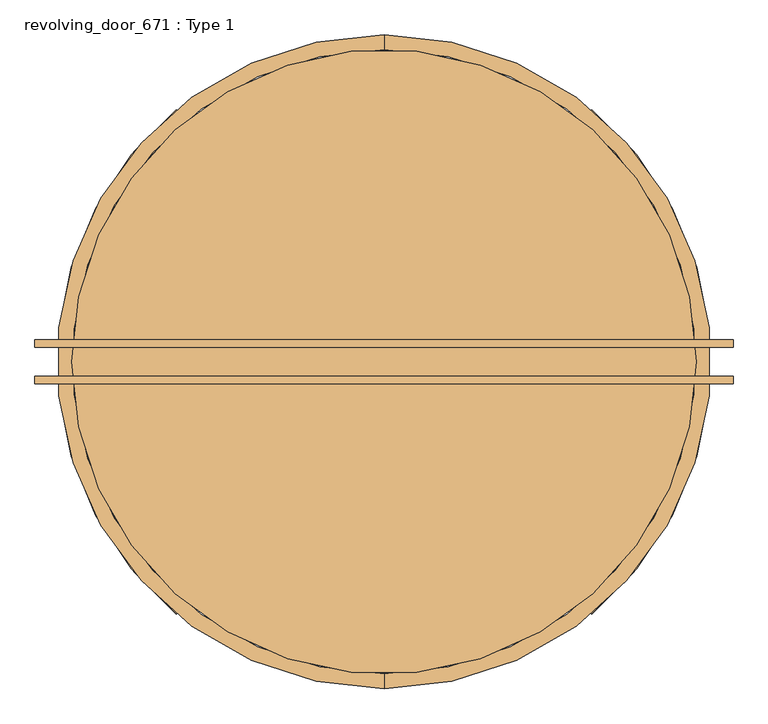
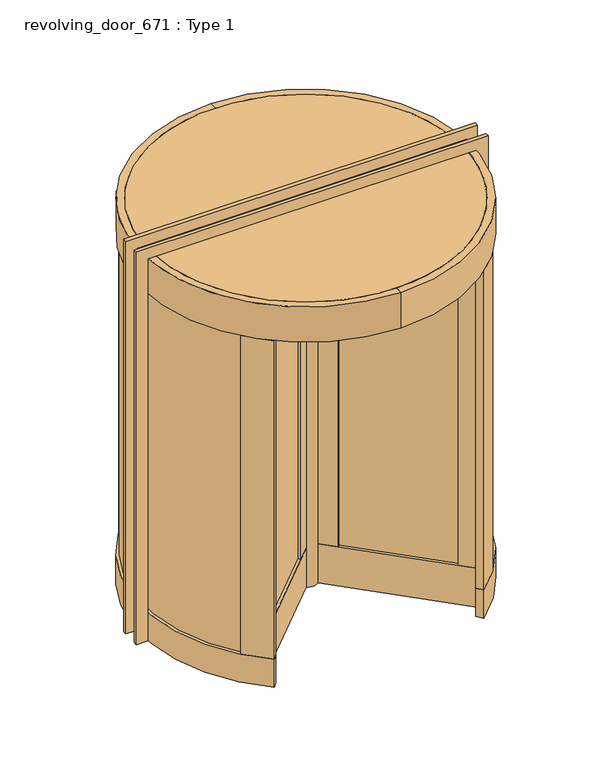
"""IFC4 building model written with IfcOpenShell, lengths in millimetres: door geometry, revolving_door_671 : Type 1."""

from ifc_helpers import new_model, si_unit, point, frame, frame_2d, origin, origin_with_axes, origin_2d, place, context, project, spatial, polyline, circle_curve, trimmed, segment, composite_curve, outline, extrude, source, transform, mapped, element, save


def revolving_door_671_type_1_5802f42c(model_context):
    return source(origin(), model_context, "Body", "SweptSolid", [
        extrude(outline(polyline([(2743.2, -1117.6), (2743.2, 1117.6), (0.0, 1117.6), (0.0, 1193.8), (2819.4, 1193.8), (2819.4, -1193.8), (0.0, -1193.8), (0.0, -1117.6), (2743.2, -1117.6)])), frame((0.0, -75.4, 0.0), z_axis=(0.0, 1.0, 0.0), x_axis=(0.0, 0.0, 1.0)), (0.0, 0.0, 1.0), 25.4),
        extrude(outline(polyline([(2743.2, -1117.6), (2743.2, 1117.6), (0.0, 1117.6), (0.0, 1193.8), (2819.4, 1193.8), (2819.4, -1193.8), (0.0, -1193.8), (0.0, -1117.6), (2743.2, -1117.6)])), frame((0.0, 50.0, 0.0), z_axis=(0.0, 1.0, 0.0), x_axis=(0.0, 0.0, 1.0)), (0.0, 0.0, 1.0), 25.4),
        extrude(outline(polyline([(40.0470704, -76.0047403), (75.9680949, -40.0837158), (763.0407695, -727.1563904), (727.119745, -763.0774149), (40.0470704, -76.0047403)])), frame((0.0, 0.0, 12.7), z_axis=(0.0, 0.0, 1.0), x_axis=(1.0, 0.0, 0.0)), (0.0, 0.0, 1.0), 279.4),
        extrude(outline(polyline([(40.0470704, 76.2), (727.119745, 763.2726745), (763.0407695, 727.3516501), (75.9680949, 40.2789755), (40.0470704, 76.2)])), frame((0.0, 0.0, 12.7), z_axis=(0.0, 0.0, 1.0), x_axis=(1.0, 0.0, 0.0)), (0.0, 0.0, 1.0), 279.4),
        extrude(outline(polyline([(-40.0470704, -76.0047403), (-727.0353414, -762.9930113), (-762.9563659, -727.0719868), (-75.9680949, -40.0837158), (-40.0470704, -76.0047403)])), frame((0.0, 0.0, 12.7), z_axis=(0.0, 0.0, 1.0), x_axis=(1.0, 0.0, 0.0)), (0.0, 0.0, 1.0), 279.4),
        extrude(outline(polyline([(-40.0470704, 76.2), (-76.0821357, 40.1649348), (-763.0626247, 727.1454238), (-727.0275595, 763.1804891), (-40.0470704, 76.2)])), frame((0.0, 0.0, 12.7), z_axis=(0.0, 0.0, 1.0), x_axis=(1.0, 0.0, 0.0)), (0.0, 0.0, 1.0), 279.4),
        extrude(outline(composite_curve([segment(trimmed(circle_curve(frame_2d((-0.0671376, 0.1647675)), 1066.8), [point((678.5112746, -822.9959571))], [point((678.5112746, 823.325492))], True, "CARTESIAN"), True, "CONTINUOUS"), segment(polyline([(678.5112746, 823.325492), (710.8245323, 862.5236218)]), True, "CONTINUOUS"), segment(trimmed(circle_curve(frame_2d((-0.0671376, 0.1647675)), 1117.6), [point((710.8245323, 862.5236218))], [point((710.8245323, -862.1940868))], False, "CARTESIAN"), True, "CONTINUOUS"), segment(polyline([(710.8245323, -862.1940868), (678.5112746, -822.9959571)]), True, "CONTINUOUS")], self_intersect=False)), origin_with_axes(), (0.0, 0.0, 1.0), 203.2),
        extrude(outline(composite_curve([segment(trimmed(circle_curve(frame_2d((0.0671376, 0.1647675)), 1117.6), [point((-710.8245323, -862.1940868))], [point((-710.8245323, 862.5236218))], False, "CARTESIAN"), True, "CONTINUOUS"), segment(polyline([(-710.8245323, 862.5236218), (-678.5112746, 823.325492)]), True, "CONTINUOUS"), segment(trimmed(circle_curve(frame_2d((0.0671376, 0.1647675)), 1066.8), [point((-678.5112746, 823.325492))], [point((-678.5112746, -822.9959571))], True, "CARTESIAN"), True, "CONTINUOUS"), segment(polyline([(-678.5112746, -822.9959571), (-710.8245323, -862.1940868)]), True, "CONTINUOUS")], self_intersect=False)), origin_with_axes(), (0.0, 0.0, 1.0), 203.2),
        extrude(outline(polyline([(40.0470704, -76.0047403), (75.9680949, -40.0837158), (762.9563659, -727.0719868), (727.0353414, -762.9930113), (40.0470704, -76.0047403)])), frame((0.0, 0.0, 2476.5), z_axis=(0.0, 0.0, 1.0), x_axis=(1.0, 0.0, 0.0)), (0.0, 0.0, 1.0), 203.2),
        extrude(outline(polyline([(40.0470704, 76.2), (727.0353414, 763.1882709), (762.9563659, 727.2672465), (75.9680949, 40.2789755), (40.0470704, 76.2)])), frame((0.0, 0.0, 2476.5), z_axis=(0.0, 0.0, 1.0), x_axis=(1.0, 0.0, 0.0)), (0.0, 0.0, 1.0), 203.2),
        extrude(outline(polyline([(-40.0470704, -76.0047403), (-727.0353414, -762.9930113), (-762.9563659, -727.0719868), (-75.9680949, -40.0837158), (-40.0470704, -76.0047403)])), frame((0.0, 0.0, 2476.5), z_axis=(0.0, 0.0, 1.0), x_axis=(1.0, 0.0, 0.0)), (0.0, 0.0, 1.0), 203.2),
        extrude(outline(polyline([(-40.0470704, 76.2), (-76.0821357, 40.1649348), (-763.0704066, 727.1532057), (-727.0353414, 763.1882709), (-40.0470704, 76.2)])), frame((0.0, 0.0, 2476.5), z_axis=(0.0, 0.0, 1.0), x_axis=(1.0, 0.0, 0.0)), (0.0, 0.0, 1.0), 203.2),
        extrude(outline(composite_curve([segment(trimmed(circle_curve(origin_2d(), 1066.9647675), [point((-1066.9647675, 0.0))], [point((1066.9647675, 0.0))], False, "CARTESIAN"), True, "CONTINUOUS"), segment(trimmed(circle_curve(origin_2d(), 1066.9647675), [point((1066.9647675, 0.0))], [point((-1066.9647675, 0.0))], False, "CARTESIAN"), True, "CONTINUOUS")], self_intersect=False)), frame((0.0, 0.0, 2692.4), z_axis=(0.0, 0.0, 1.0), x_axis=(1.0, 0.0, 0.0)), (0.0, 0.0, 1.0), 50.8),
        extrude(outline(composite_curve([segment(trimmed(circle_curve(frame_2d((0.0, 0.1647675)), 1117.6), [point((0.0, -1117.4352325))], [point((0.0, 1117.7647675))], False, "CARTESIAN"), True, "CONTINUOUS"), segment(polyline([(0.0, 1117.7647675), (0.0, 1066.9647675)]), True, "CONTINUOUS"), segment(trimmed(circle_curve(frame_2d((0.0, 0.1647675)), 1066.8), [point((0.0, 1066.9647675))], [point((0.0, -1066.6352325))], True, "CARTESIAN"), True, "CONTINUOUS"), segment(polyline([(0.0, -1066.6352325), (0.0, -1117.4352325)]), True, "CONTINUOUS")], self_intersect=False)), frame((0.0, 0.0, 2489.2), z_axis=(0.0, 0.0, 1.0), x_axis=(1.0, 0.0, 0.0)), (0.0, 0.0, 1.0), 254.0),
        extrude(outline(composite_curve([segment(trimmed(circle_curve(frame_2d((0.0, 0.1647675)), 1066.8), [point((0.0, -1066.6352325))], [point((0.0, 1066.9647675))], True, "CARTESIAN"), True, "CONTINUOUS"), segment(polyline([(0.0, 1066.9647675), (0.0, 1117.7647675)]), True, "CONTINUOUS"), segment(trimmed(circle_curve(frame_2d((0.0, 0.1647675)), 1117.6), [point((0.0, 1117.7647675))], [point((0.0, -1117.4352325))], False, "CARTESIAN"), True, "CONTINUOUS"), segment(polyline([(0.0, -1117.4352325), (0.0, -1066.6352325)]), True, "CONTINUOUS")], self_intersect=False)), frame((0.0, 0.0, 2489.2), z_axis=(0.0, 0.0, 1.0), x_axis=(1.0, 0.0, 0.0)), (0.0, 0.0, 1.0), 254.0),
        extrude(outline(polyline([(140.2300933, -149.2469948), (149.2103494, -140.2667387), (664.5632997, -655.619689), (655.5830436, -664.5999452), (140.2300933, -149.2469948)])), frame((0.0, 0.0, 292.1), z_axis=(0.0, 0.0, 1.0), x_axis=(1.0, 0.0, 0.0)), (0.0, 0.0, 1.0), 2171.7),
        extrude(outline(polyline([(642.1126594, -678.0703293), (678.0336839, -642.1493048), (763.0407695, -727.1563904), (727.119745, -763.0774149), (642.1126594, -678.0703293)])), frame((0.0, 0.0, 292.1), z_axis=(0.0, 0.0, 1.0), x_axis=(1.0, 0.0, 0.0)), (0.0, 0.0, 1.0), 2184.4),
        extrude(outline(polyline([(40.6714213, -75.3806654), (75.968557, -40.0835297), (162.682091, -126.7970637), (127.3849553, -162.0941994), (40.6714213, -75.3806654)])), frame((0.0, 0.0, 292.1), z_axis=(0.0, 0.0, 1.0), x_axis=(1.0, 0.0, 0.0)), (0.0, 0.0, 1.0), 2184.4),
        extrude(outline(polyline([(140.2300933, 149.4422545), (655.5830436, 664.7952048), (664.5632997, 655.8149487), (149.2103494, 140.4619984), (140.2300933, 149.4422545)])), frame((0.0, 0.0, 292.1), z_axis=(0.0, 0.0, 1.0), x_axis=(1.0, 0.0, 0.0)), (0.0, 0.0, 1.0), 2171.7),
        extrude(outline(polyline([(642.1126594, 678.265589), (727.119745, 763.2726745), (763.0407695, 727.3516501), (678.0336839, 642.3445645), (642.1126594, 678.265589)])), frame((0.0, 0.0, 292.1), z_axis=(0.0, 0.0, 1.0), x_axis=(1.0, 0.0, 0.0)), (0.0, 0.0, 1.0), 2184.4),
        extrude(outline(polyline([(40.163023, 76.0840475), (126.8756616, 162.7966861), (162.6807336, 126.9916142), (75.9680949, 40.2789755), (40.163023, 76.0840475)])), frame((0.0, 0.0, 292.1), z_axis=(0.0, 0.0, 1.0), x_axis=(1.0, 0.0, 0.0)), (0.0, 0.0, 1.0), 2184.4),
        extrude(outline(polyline([(-140.2300933, -149.2469948), (-655.5830436, -664.5999451), (-664.5632997, -655.619689), (-149.2103494, -140.2667387), (-140.2300933, -149.2469948)])), frame((0.0, 0.0, 292.1), z_axis=(0.0, 0.0, 1.0), x_axis=(1.0, 0.0, 0.0)), (0.0, 0.0, 1.0), 2171.7),
        extrude(outline(polyline([(-642.1126594, -678.0703293), (-727.0353414, -762.9930113), (-762.9563659, -727.0719868), (-678.0336839, -642.1493048), (-642.1126594, -678.0703293)])), frame((0.0, 0.0, 292.1), z_axis=(0.0, 0.0, 1.0), x_axis=(1.0, 0.0, 0.0)), (0.0, 0.0, 1.0), 2184.4),
        extrude(outline(polyline([(-40.0653931, -75.9864176), (-126.7780318, -162.6990563), (-162.6807336, -126.7963545), (-75.9680949, -40.0837158), (-40.0653931, -75.9864176)])), frame((0.0, 0.0, 292.1), z_axis=(0.0, 0.0, 1.0), x_axis=(1.0, 0.0, 0.0)), (0.0, 0.0, 1.0), 2184.4),
        extrude(outline(composite_curve([segment(trimmed(circle_curve(origin_2d(), 76.3647379), [point((-76.3647379, 0.0))], [point((76.3647379, 0.0))], False, "CARTESIAN"), True, "CONTINUOUS"), segment(trimmed(circle_curve(origin_2d(), 76.3647379), [point((76.3647379, 0.0))], [point((-76.3647379, 0.0))], False, "CARTESIAN"), True, "CONTINUOUS")], self_intersect=False), holes=[composite_curve([segment(trimmed(circle_curve(origin_2d(), 65.1966682), [point((-65.1966682, 0.0))], [point((65.1966682, 0.0))], True, "CARTESIAN"), True, "CONTINUOUS"), segment(trimmed(circle_curve(origin_2d(), 65.1966682), [point((65.1966682, 0.0))], [point((-65.1966682, 0.0))], True, "CARTESIAN"), True, "CONTINUOUS")], self_intersect=False)]), origin_with_axes(), (0.0, 0.0, 1.0), 2692.4),
        extrude(outline(polyline([(-140.2300933, 149.4422545), (-149.2103494, 140.4619984), (-664.5632997, 655.8149486), (-655.5830436, 664.7952048), (-140.2300933, 149.4422545)])), frame((0.0, 0.0, 292.1), z_axis=(0.0, 0.0, 1.0), x_axis=(1.0, 0.0, 0.0)), (0.0, 0.0, 1.0), 2171.7),
        extrude(outline(polyline([(-642.1126594, 678.265589), (-678.0336839, 642.3445645), (-762.948584, 727.2594646), (-727.0275595, 763.1804891), (-642.1126594, 678.265589)])), frame((0.0, 0.0, 292.1), z_axis=(0.0, 0.0, 1.0), x_axis=(1.0, 0.0, 0.0)), (0.0, 0.0, 1.0), 2184.4),
        extrude(outline(polyline([(-40.1629917, 76.0840162), (-75.9683877, 40.2786201), (-162.6823646, 126.9925969), (-126.8769685, 162.797993), (-40.1629917, 76.0840162)])), frame((0.0, 0.0, 292.1), z_axis=(0.0, 0.0, 1.0), x_axis=(1.0, 0.0, 0.0)), (0.0, 0.0, 1.0), 2184.4),
        extrude(outline(composite_curve([segment(trimmed(circle_curve(frame_2d((40.5801608, -47.5089581)), 1004.2631463), [point((678.5112746, -823.1302323))], [point((815.7577727, -685.9791117))], True, "CARTESIAN"), True, "CONTINUOUS"), segment(polyline([(815.7577727, -685.9791117), (855.0522927, -718.1006018)]), True, "CONTINUOUS"), segment(trimmed(circle_curve(frame_2d((45.5745218, -52.8505913)), 1047.7651635), [point((855.0522927, -718.1006018))], [point((710.8245323, -862.3283621))], False, "CARTESIAN"), True, "CONTINUOUS"), segment(polyline([(710.8245323, -862.3283621), (678.5112746, -823.1302323)]), True, "CONTINUOUS")], self_intersect=False)), frame((0.0, 0.0, 203.2), z_axis=(0.0, 0.0, 1.0), x_axis=(1.0, 0.0, 0.0)), (0.0, 0.0, 1.0), 2286.0),
        extrude(outline(composite_curve([segment(polyline([(-678.5112746, -823.1302323), (-710.8245323, -862.3283621)]), True, "CONTINUOUS"), segment(trimmed(circle_curve(frame_2d((-45.5745218, -52.8505913)), 1047.7651635), [point((-710.8245323, -862.3283621))], [point((-855.0522927, -718.1006018))], False, "CARTESIAN"), True, "CONTINUOUS"), segment(polyline([(-855.0522927, -718.1006018), (-815.7577727, -685.9791117)]), True, "CONTINUOUS"), segment(trimmed(circle_curve(frame_2d((-40.5801608, -47.5089581)), 1004.2631463), [point((-815.7577727, -685.9791117))], [point((-678.5112746, -823.1302323))], True, "CARTESIAN"), True, "CONTINUOUS")], self_intersect=False)), frame((0.0, 0.0, 203.2), z_axis=(0.0, 0.0, 1.0), x_axis=(1.0, 0.0, 0.0)), (0.0, 0.0, 1.0), 2286.0),
        extrude(outline(composite_curve([segment(trimmed(circle_curve(frame_2d((1.5092941, 0.8034607)), 1084.2321844), [point((831.4646046, -696.859504))], [point((831.671855, 698.2198014))], True, "CARTESIAN"), True, "CONTINUOUS"), segment(polyline([(831.671855, 698.2198014), (840.6855609, 707.2335072)]), True, "CONTINUOUS"), segment(trimmed(circle_curve(frame_2d((1.5092941, 0.8034607)), 1096.9321844), [point((840.6855609, 707.2335072))], [point((840.4780808, -705.8729803))], False, "CARTESIAN"), True, "CONTINUOUS"), segment(polyline([(840.4780808, -705.8729803), (831.4646046, -696.859504)]), True, "CONTINUOUS")], self_intersect=False)), frame((0.0, 0.0, 203.2), z_axis=(0.0, 0.0, 1.0), x_axis=(1.0, 0.0, 0.0)), (0.0, 0.0, 1.0), 2286.0),
        extrude(outline(composite_curve([segment(polyline([(678.5112746, 823.325492), (710.8245323, 862.5236218)]), True, "CONTINUOUS"), segment(trimmed(circle_curve(frame_2d((45.5927291, 53.0458509)), 1047.7536034), [point((710.8245323, 862.5236218))], [point((855.0540733, 718.2976421))], False, "CARTESIAN"), True, "CONTINUOUS"), segment(polyline([(855.0540733, 718.2976421), (815.7577727, 686.1743714)]), True, "CONTINUOUS"), segment(trimmed(circle_curve(frame_2d((40.5801608, 47.7042178)), 1004.2631463), [point((815.7577727, 686.1743714))], [point((678.5112746, 823.325492))], True, "CARTESIAN"), True, "CONTINUOUS")], self_intersect=False)), frame((0.0, 0.0, 203.2), z_axis=(0.0, 0.0, 1.0), x_axis=(1.0, 0.0, 0.0)), (0.0, 0.0, 1.0), 2286.0),
        extrude(outline(composite_curve([segment(polyline([(-831.5347713, -696.7760236), (-840.5483252, -705.7895775)]), True, "CONTINUOUS"), segment(trimmed(circle_curve(frame_2d((-1.5092941, 0.8034607)), 1096.9321844), [point((-840.5483252, -705.7895775))], [point((-840.7523112, 707.1542062))], False, "CARTESIAN"), True, "CONTINUOUS"), segment(polyline([(-840.7523112, 707.1542062), (-831.7385313, 698.1404263)]), True, "CONTINUOUS"), segment(trimmed(circle_curve(frame_2d((-1.5092941, 0.8034607)), 1084.2321844), [point((-831.7385313, 698.1404263))], [point((-831.5347713, -696.7760236))], True, "CARTESIAN"), True, "CONTINUOUS")], self_intersect=False)), frame((0.0, 0.0, 203.2), z_axis=(0.0, 0.0, 1.0), x_axis=(1.0, 0.0, 0.0)), (0.0, 0.0, 1.0), 2286.0),
        extrude(outline(composite_curve([segment(trimmed(circle_curve(frame_2d((-40.5619534, 47.7042178)), 1004.2772003), [point((-678.493126, 823.3436407))], [point((-815.7577727, 686.1743714))], True, "CARTESIAN"), True, "CONTINUOUS"), segment(polyline([(-815.7577727, 686.1743714), (-855.0522927, 718.2958614)]), True, "CONTINUOUS"), segment(trimmed(circle_curve(frame_2d((-45.5745218, 53.0458509)), 1047.7651635), [point((-855.0522927, 718.2958614))], [point((-710.8245323, 862.5236218))], False, "CARTESIAN"), True, "CONTINUOUS"), segment(polyline([(-710.8245323, 862.5236218), (-678.493126, 823.3436407)]), True, "CONTINUOUS")], self_intersect=False)), frame((0.0, 0.0, 203.2), z_axis=(0.0, 0.0, 1.0), x_axis=(1.0, 0.0, 0.0)), (0.0, 0.0, 1.0), 2286.0),
    ])


if __name__ == "__main__":
    model = new_model("IFC4")
    model_context = context("Model", 3, world=origin())
    ifc_project = project(units=[si_unit("LENGTHUNIT", "METRE", prefix="MILLI")], contexts=[model_context])
    site = spatial("IfcSite", under=ifc_project)
    building = spatial("IfcBuilding", under=site)
    placement = place(None, origin())
    revolving_door_671_type_1_shape = revolving_door_671_type_1_5802f42c(model_context)
    element("IfcDoor", 1, ObjectType="revolving_door_671 : Type 1", at=placement, inside=building, context=model_context, shape_type="MappedRepresentation", body=[
        mapped(revolving_door_671_type_1_shape, transform((0.0, 0.0, 0.0), x_axis=(1.0, 0.0, 0.0), y_axis=(0.0, 1.0, 0.0), z_axis=(0.0, 0.0, 1.0))),
    ])
    save(model, "model.ifc")
